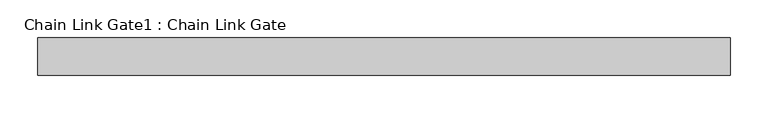
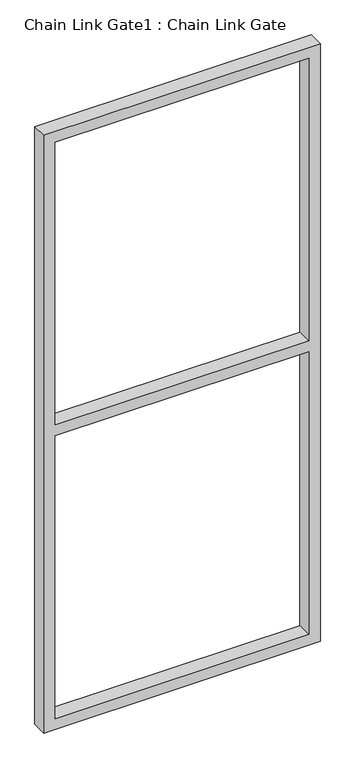
"""IFC4 building model written with IfcOpenShell, lengths in millimetres: proxy geometry, Chain Link Gate1 : Chain Link Gate."""

from ifc_helpers import new_model, si_unit, frame, origin, place, context, project, spatial, polyline, outline, extrude, source, transform, mapped, element, save


def chain_link_gate1_chain_link_gate_a2d4e9a5(model_context):
    return source(origin(), model_context, "Body", "SweptSolid", [
        extrude(outline(polyline([(2120.9, -29653.2868371), (12.7, -29653.2868371), (12.7, -28729.3618371), (2120.9, -28729.3618371), (2120.9, -29653.2868371)]), holes=[polyline([(2082.8, -29615.1868371), (2082.8, -28767.4618371), (1085.85, -28767.4618371), (1085.85, -29615.1868371), (2082.8, -29615.1868371)]), polyline([(1047.75, -28767.4618371), (50.8, -28767.4618371), (50.8, -29615.1868371), (1047.75, -29615.1868371), (1047.75, -28767.4618371)])]), frame((0.0, 17057.3849225, 0.0), z_axis=(0.0, 1.0, 0.0), x_axis=(0.0, 0.0, 1.0)), (0.0, 0.0, 1.0), 50.1314753),
    ])


if __name__ == "__main__":
    model = new_model("IFC4")
    model_context = context("Model", 3, world=origin())
    ifc_project = project(units=[si_unit("LENGTHUNIT", "METRE", prefix="MILLI")], contexts=[model_context])
    site = spatial("IfcSite", under=ifc_project)
    building = spatial("IfcBuilding", under=site)
    placement = place(None, origin())
    chain_link_gate1_chain_link_gate_shape = chain_link_gate1_chain_link_gate_a2d4e9a5(model_context)
    element("IfcBuildingElementProxy", 1, Name="Chain Link Gate1 : Chain Link Gate", ObjectType="Chain Link Gate1 : Chain Link Gate", at=placement, inside=building, context=model_context, shape_type="MappedRepresentation", body=[
        mapped(chain_link_gate1_chain_link_gate_shape, transform((0.0, 0.0, 0.0), x_axis=(1.0, 0.0, 0.0), y_axis=(0.0, 1.0, 0.0), z_axis=(0.0, 0.0, 1.0))),
    ])
    save(model, "model.ifc")
